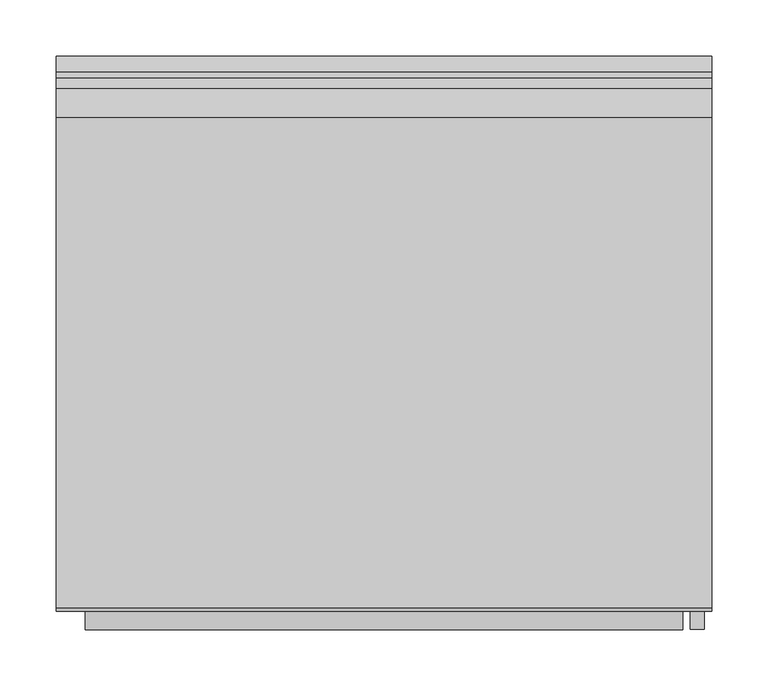
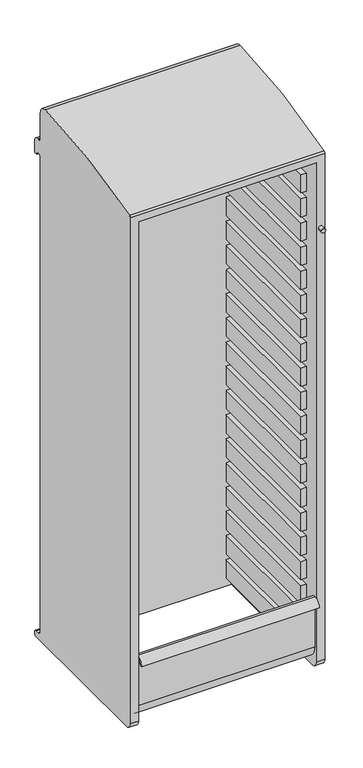
"""IFC4 building model written with IfcOpenShell, lengths in millimetres: furniture geometry."""

from ifc_helpers import new_model, si_unit, point, frame, frame_2d, origin, place, context, project, spatial, polyline, circle_curve, trimmed, segment, composite_curve, outline, extrude, source, transform, mapped, element, save
from ifc_brep_helpers import plane_surface, cylinder_surface, revolved_surface, advanced_brep


def furniture_ac9ddba1(model_context):
    return source(origin(), model_context, "Body", "SolidModel", [
        extrude(outline(polyline([(-249.2375, -195.2625), (-265.1125, -195.2625), (-265.1125, 192.0875), (-249.2375, 192.0875), (-249.2375, -195.2625)])), frame((0.0, 0.0, 552.45), z_axis=(0.0, 0.0, 1.0), x_axis=(1.0, 0.0, 0.0)), (0.0, 0.0, 1.0), 57.15),
        extrude(outline(polyline([(265.1125, -195.2625), (249.2375, -195.2625), (249.2375, 192.0875), (265.1125, 192.0875), (265.1125, -195.2625)])), frame((0.0, 0.0, 552.45), z_axis=(0.0, 0.0, 1.0), x_axis=(1.0, 0.0, 0.0)), (0.0, 0.0, 1.0), 57.15),
        extrude(outline(polyline([(-249.2375, -195.2625), (-265.1125, -195.2625), (-265.1125, 192.0875), (-249.2375, 192.0875), (-249.2375, -195.2625)])), frame((0.0, 0.0, 476.25), z_axis=(0.0, 0.0, 1.0), x_axis=(1.0, 0.0, 0.0)), (0.0, 0.0, 1.0), 57.15),
        extrude(outline(polyline([(265.1125, -195.2625), (249.2375, -195.2625), (249.2375, 192.0875), (265.1125, 192.0875), (265.1125, -195.2625)])), frame((0.0, 0.0, 476.25), z_axis=(0.0, 0.0, 1.0), x_axis=(1.0, 0.0, 0.0)), (0.0, 0.0, 1.0), 57.15),
        extrude(outline(polyline([(-249.2375, -195.2625), (-265.1125, -195.2625), (-265.1125, 192.0875), (-249.2375, 192.0875), (-249.2375, -195.2625)])), frame((0.0, 0.0, 400.05), z_axis=(0.0, 0.0, 1.0), x_axis=(1.0, 0.0, 0.0)), (0.0, 0.0, 1.0), 57.15),
        extrude(outline(polyline([(265.1125, -195.2625), (249.2375, -195.2625), (249.2375, 192.0875), (265.1125, 192.0875), (265.1125, -195.2625)])), frame((0.0, 0.0, 400.05), z_axis=(0.0, 0.0, 1.0), x_axis=(1.0, 0.0, 0.0)), (0.0, 0.0, 1.0), 57.15),
        extrude(outline(polyline([(-249.2375, -195.2625), (-265.1125, -195.2625), (-265.1125, 192.0875), (-249.2375, 192.0875), (-249.2375, -195.2625)])), frame((0.0, 0.0, 323.85), z_axis=(0.0, 0.0, 1.0), x_axis=(1.0, 0.0, 0.0)), (0.0, 0.0, 1.0), 57.15),
        extrude(outline(polyline([(265.1125, -195.2625), (249.2375, -195.2625), (249.2375, 192.0875), (265.1125, 192.0875), (265.1125, -195.2625)])), frame((0.0, 0.0, 323.85), z_axis=(0.0, 0.0, 1.0), x_axis=(1.0, 0.0, 0.0)), (0.0, 0.0, 1.0), 57.15),
        extrude(outline(polyline([(-249.2375, -195.2625), (-265.1125, -195.2625), (-265.1125, 192.0875), (-249.2375, 192.0875), (-249.2375, -195.2625)])), frame((0.0, 0.0, 857.25), z_axis=(0.0, 0.0, 1.0), x_axis=(1.0, 0.0, 0.0)), (0.0, 0.0, 1.0), 57.15),
        extrude(outline(polyline([(265.1125, -195.2625), (249.2375, -195.2625), (249.2375, 192.0875), (265.1125, 192.0875), (265.1125, -195.2625)])), frame((0.0, 0.0, 857.25), z_axis=(0.0, 0.0, 1.0), x_axis=(1.0, 0.0, 0.0)), (0.0, 0.0, 1.0), 57.15),
        extrude(outline(polyline([(-249.2375, -195.2625), (-265.1125, -195.2625), (-265.1125, 192.0875), (-249.2375, 192.0875), (-249.2375, -195.2625)])), frame((0.0, 0.0, 781.05), z_axis=(0.0, 0.0, 1.0), x_axis=(1.0, 0.0, 0.0)), (0.0, 0.0, 1.0), 57.15),
        extrude(outline(polyline([(265.1125, -195.2625), (249.2375, -195.2625), (249.2375, 192.0875), (265.1125, 192.0875), (265.1125, -195.2625)])), frame((0.0, 0.0, 781.05), z_axis=(0.0, 0.0, 1.0), x_axis=(1.0, 0.0, 0.0)), (0.0, 0.0, 1.0), 57.15),
        extrude(outline(polyline([(-249.2375, -195.2625), (-265.1125, -195.2625), (-265.1125, 192.0875), (-249.2375, 192.0875), (-249.2375, -195.2625)])), frame((0.0, 0.0, 704.85), z_axis=(0.0, 0.0, 1.0), x_axis=(1.0, 0.0, 0.0)), (0.0, 0.0, 1.0), 57.15),
        extrude(outline(polyline([(265.1125, -195.2625), (249.2375, -195.2625), (249.2375, 192.0875), (265.1125, 192.0875), (265.1125, -195.2625)])), frame((0.0, 0.0, 704.85), z_axis=(0.0, 0.0, 1.0), x_axis=(1.0, 0.0, 0.0)), (0.0, 0.0, 1.0), 57.15),
        extrude(outline(polyline([(-249.2375, -195.2625), (-265.1125, -195.2625), (-265.1125, 192.0875), (-249.2375, 192.0875), (-249.2375, -195.2625)])), frame((0.0, 0.0, 628.65), z_axis=(0.0, 0.0, 1.0), x_axis=(1.0, 0.0, 0.0)), (0.0, 0.0, 1.0), 57.15),
        extrude(outline(polyline([(265.1125, -195.2625), (249.2375, -195.2625), (249.2375, 192.0875), (265.1125, 192.0875), (265.1125, -195.2625)])), frame((0.0, 0.0, 628.65), z_axis=(0.0, 0.0, 1.0), x_axis=(1.0, 0.0, 0.0)), (0.0, 0.0, 1.0), 57.15),
        extrude(outline(polyline([(-249.2375, -195.2625), (-265.1125, -195.2625), (-265.1125, 192.0875), (-249.2375, 192.0875), (-249.2375, -195.2625)])), frame((0.0, 0.0, 1162.05), z_axis=(0.0, 0.0, 1.0), x_axis=(1.0, 0.0, 0.0)), (0.0, 0.0, 1.0), 57.15),
        extrude(outline(polyline([(265.1125, -195.2625), (249.2375, -195.2625), (249.2375, 192.0875), (265.1125, 192.0875), (265.1125, -195.2625)])), frame((0.0, 0.0, 1162.05), z_axis=(0.0, 0.0, 1.0), x_axis=(1.0, 0.0, 0.0)), (0.0, 0.0, 1.0), 57.15),
        extrude(outline(polyline([(-249.2375, -195.2625), (-265.1125, -195.2625), (-265.1125, 192.0875), (-249.2375, 192.0875), (-249.2375, -195.2625)])), frame((0.0, 0.0, 1085.85), z_axis=(0.0, 0.0, 1.0), x_axis=(1.0, 0.0, 0.0)), (0.0, 0.0, 1.0), 57.15),
        extrude(outline(polyline([(265.1125, -195.2625), (249.2375, -195.2625), (249.2375, 192.0875), (265.1125, 192.0875), (265.1125, -195.2625)])), frame((0.0, 0.0, 1085.85), z_axis=(0.0, 0.0, 1.0), x_axis=(1.0, 0.0, 0.0)), (0.0, 0.0, 1.0), 57.15),
        extrude(outline(polyline([(-249.2375, -195.2625), (-265.1125, -195.2625), (-265.1125, 192.0875), (-249.2375, 192.0875), (-249.2375, -195.2625)])), frame((0.0, 0.0, 1009.65), z_axis=(0.0, 0.0, 1.0), x_axis=(1.0, 0.0, 0.0)), (0.0, 0.0, 1.0), 57.15),
        extrude(outline(polyline([(265.1125, -195.2625), (249.2375, -195.2625), (249.2375, 192.0875), (265.1125, 192.0875), (265.1125, -195.2625)])), frame((0.0, 0.0, 1009.65), z_axis=(0.0, 0.0, 1.0), x_axis=(1.0, 0.0, 0.0)), (0.0, 0.0, 1.0), 57.15),
        extrude(outline(polyline([(-249.2375, -195.2625), (-265.1125, -195.2625), (-265.1125, 192.0875), (-249.2375, 192.0875), (-249.2375, -195.2625)])), frame((0.0, 0.0, 933.45), z_axis=(0.0, 0.0, 1.0), x_axis=(1.0, 0.0, 0.0)), (0.0, 0.0, 1.0), 57.15),
        extrude(outline(polyline([(265.1125, -195.2625), (249.2375, -195.2625), (249.2375, 192.0875), (265.1125, 192.0875), (265.1125, -195.2625)])), frame((0.0, 0.0, 933.45), z_axis=(0.0, 0.0, 1.0), x_axis=(1.0, 0.0, 0.0)), (0.0, 0.0, 1.0), 57.15),
        extrude(outline(polyline([(-249.2375, -195.2625), (-265.1125, -195.2625), (-265.1125, 192.0875), (-249.2375, 192.0875), (-249.2375, -195.2625)])), frame((0.0, 0.0, 1466.85), z_axis=(0.0, 0.0, 1.0), x_axis=(1.0, 0.0, 0.0)), (0.0, 0.0, 1.0), 57.15),
        extrude(outline(polyline([(265.1125, -195.2625), (249.2375, -195.2625), (249.2375, 192.0875), (265.1125, 192.0875), (265.1125, -195.2625)])), frame((0.0, 0.0, 1466.85), z_axis=(0.0, 0.0, 1.0), x_axis=(1.0, 0.0, 0.0)), (0.0, 0.0, 1.0), 57.15),
        extrude(outline(polyline([(-249.2375, -195.2625), (-265.1125, -195.2625), (-265.1125, 192.0875), (-249.2375, 192.0875), (-249.2375, -195.2625)])), frame((0.0, 0.0, 1390.65), z_axis=(0.0, 0.0, 1.0), x_axis=(1.0, 0.0, 0.0)), (0.0, 0.0, 1.0), 57.15),
        extrude(outline(polyline([(265.1125, -195.2625), (249.2375, -195.2625), (249.2375, 192.0875), (265.1125, 192.0875), (265.1125, -195.2625)])), frame((0.0, 0.0, 1390.65), z_axis=(0.0, 0.0, 1.0), x_axis=(1.0, 0.0, 0.0)), (0.0, 0.0, 1.0), 57.15),
        extrude(outline(polyline([(-249.2375, -195.2625), (-265.1125, -195.2625), (-265.1125, 192.0875), (-249.2375, 192.0875), (-249.2375, -195.2625)])), frame((0.0, 0.0, 1314.45), z_axis=(0.0, 0.0, 1.0), x_axis=(1.0, 0.0, 0.0)), (0.0, 0.0, 1.0), 57.15),
        extrude(outline(polyline([(265.1125, -195.2625), (249.2375, -195.2625), (249.2375, 192.0875), (265.1125, 192.0875), (265.1125, -195.2625)])), frame((0.0, 0.0, 1314.45), z_axis=(0.0, 0.0, 1.0), x_axis=(1.0, 0.0, 0.0)), (0.0, 0.0, 1.0), 57.15),
        extrude(outline(polyline([(-249.2375, -195.2625), (-265.1125, -195.2625), (-265.1125, 192.0875), (-249.2375, 192.0875), (-249.2375, -195.2625)])), frame((0.0, 0.0, 1238.25), z_axis=(0.0, 0.0, 1.0), x_axis=(1.0, 0.0, 0.0)), (0.0, 0.0, 1.0), 57.15),
        extrude(outline(polyline([(265.1125, -195.2625), (249.2375, -195.2625), (249.2375, 192.0875), (265.1125, 192.0875), (265.1125, -195.2625)])), frame((0.0, 0.0, 1238.25), z_axis=(0.0, 0.0, 1.0), x_axis=(1.0, 0.0, 0.0)), (0.0, 0.0, 1.0), 57.15),
        extrude(outline(polyline([(-249.2375, -195.2625), (-265.1125, -195.2625), (-265.1125, 192.0875), (-249.2375, 192.0875), (-249.2375, -195.2625)])), frame((0.0, 0.0, 1771.65), z_axis=(0.0, 0.0, 1.0), x_axis=(1.0, 0.0, 0.0)), (0.0, 0.0, 1.0), 57.15),
        extrude(outline(polyline([(265.1125, -195.2625), (249.2375, -195.2625), (249.2375, 192.0875), (265.1125, 192.0875), (265.1125, -195.2625)])), frame((0.0, 0.0, 1771.65), z_axis=(0.0, 0.0, 1.0), x_axis=(1.0, 0.0, 0.0)), (0.0, 0.0, 1.0), 57.15),
        extrude(outline(polyline([(-249.2375, -195.2625), (-265.1125, -195.2625), (-265.1125, 192.0875), (-249.2375, 192.0875), (-249.2375, -195.2625)])), frame((0.0, 0.0, 1695.45), z_axis=(0.0, 0.0, 1.0), x_axis=(1.0, 0.0, 0.0)), (0.0, 0.0, 1.0), 57.15),
        extrude(outline(polyline([(265.1125, -195.2625), (249.2375, -195.2625), (249.2375, 192.0875), (265.1125, 192.0875), (265.1125, -195.2625)])), frame((0.0, 0.0, 1695.45), z_axis=(0.0, 0.0, 1.0), x_axis=(1.0, 0.0, 0.0)), (0.0, 0.0, 1.0), 57.15),
        extrude(outline(polyline([(-249.2375, -195.2625), (-265.1125, -195.2625), (-265.1125, 192.0875), (-249.2375, 192.0875), (-249.2375, -195.2625)])), frame((0.0, 0.0, 1619.25), z_axis=(0.0, 0.0, 1.0), x_axis=(1.0, 0.0, 0.0)), (0.0, 0.0, 1.0), 57.15),
        extrude(outline(polyline([(265.1125, -195.2625), (249.2375, -195.2625), (249.2375, 192.0875), (265.1125, 192.0875), (265.1125, -195.2625)])), frame((0.0, 0.0, 1619.25), z_axis=(0.0, 0.0, 1.0), x_axis=(1.0, 0.0, 0.0)), (0.0, 0.0, 1.0), 57.15),
        extrude(outline(polyline([(-249.2375, -195.2625), (-265.1125, -195.2625), (-265.1125, 192.0875), (-249.2375, 192.0875), (-249.2375, -195.2625)])), frame((0.0, 0.0, 1543.05), z_axis=(0.0, 0.0, 1.0), x_axis=(1.0, 0.0, 0.0)), (0.0, 0.0, 1.0), 57.15),
        extrude(outline(polyline([(265.1125, -195.2625), (249.2375, -195.2625), (249.2375, 192.0875), (265.1125, 192.0875), (265.1125, -195.2625)])), frame((0.0, 0.0, 1543.05), z_axis=(0.0, 0.0, 1.0), x_axis=(1.0, 0.0, 0.0)), (0.0, 0.0, 1.0), 57.15),
        advanced_brep(
        [(290.5125, -246.0625, 317.5), (290.5125, -227.0125, 298.45), (290.5125, 239.7125, 298.45), (290.5125, 246.0625, 304.8), (290.5125, 246.0625, 311.15), (290.5125, 239.7125, 317.5), (290.5125, 228.6, 317.5), (290.5125, 217.4875, 328.6125), (290.5125, 217.4875, 1820.4282764), (290.5125, 236.7359375, 1820.4282764), (290.5125, 246.0625, 1820.4282764), (290.5125, 246.0625, 1858.8967496), (290.5125, 232.4695312, 1872.4897183), (290.5125, 227.1117187, 1872.4897183), (290.5125, 217.4875, 1882.1139371), (290.5125, 217.4875, 1962.15), (290.5125, 192.0875, 1987.55), (290.5125, -242.8127937, 1918.698234), (290.5125, -246.0625, 1913.4436651), (-290.5125, -246.0625, 317.5), (-290.5125, -246.0625, 1913.4436651), (-290.5125, -242.8127937, 1918.698234), (-290.5125, 192.0875, 1987.55), (-290.5125, 217.4875, 1962.15), (-290.5125, 217.4875, 1882.1139371), (-290.5125, 227.1117187, 1872.4897183), (-290.5125, 232.4695312, 1872.4897183), (-290.5125, 246.0625, 1858.8967496), (-290.5125, 246.0625, 1820.4282764), (-290.5125, 236.7359375, 1820.4282764), (-290.5125, 217.4875, 1820.4282764), (-290.5125, 217.4875, 328.6125), (-290.5125, 228.6, 317.5), (-290.5125, 239.7125, 317.5), (-290.5125, 246.0625, 311.15), (-290.5125, 246.0625, 304.8), (-290.5125, 239.7125, 298.45), (-290.5125, -227.0125, 298.45), (265.1125, -246.0625, 317.5), (265.1125, -227.0125, 298.45), (-265.1125, -227.0125, 298.45), (-265.1125, -246.0625, 317.5), (265.1125, 192.0875, 298.45), (-265.1125, 192.0875, 298.45), (-265.1125, -246.0625, 1892.3), (265.1125, -246.0625, 1892.3), (265.1125, 192.0875, 1956.3783426), (-265.1125, 192.0875, 1956.3783426)],
        [
            (0, 1, circle_curve(frame((290.5125, -227.0125, 317.5), z_axis=(1.0, 0.0, 0.0), x_axis=(0.0, 1.0, 0.0)), 19.05)),
            (1, 2),
            (2, 3, circle_curve(frame((290.5125, 239.7125, 304.8), z_axis=(1.0, 0.0, 0.0), x_axis=(0.0, 1.0, 0.0)), 6.35)),
            (3, 4),
            (4, 5, circle_curve(frame((290.5125, 239.7125, 311.15), z_axis=(1.0, 0.0, 0.0), x_axis=(0.0, 1.0, 0.0)), 6.35)),
            (5, 6),
            (6, 7, circle_curve(frame((290.5125, 228.6, 328.6125), z_axis=(-1.0, 0.0, 0.0), x_axis=(0.0, 1.0, 0.0)), 11.1125)),
            (7, 8),
            (8, 9, circle_curve(frame((290.5125, 227.1117187, 1820.4282764), z_axis=(-1.0, 0.0, 0.0), x_axis=(0.0, 1.0, 0.0)), 9.6242188)),
            (9, 10),
            (10, 11),
            (11, 12, circle_curve(frame((290.5125, 232.4695312, 1858.8967496), z_axis=(1.0, 0.0, 0.0), x_axis=(0.0, 1.0, 0.0)), 13.5929687)),
            (12, 13),
            (13, 14, circle_curve(frame((290.5125, 227.1117187, 1882.1139371), z_axis=(-1.0, 0.0, 0.0), x_axis=(0.0, 1.0, 0.0)), 9.6242187)),
            (14, 15),
            (15, 16, circle_curve(frame((290.5125, 192.0875, 1962.15), z_axis=(1.0, 0.0, 0.0), x_axis=(0.0, 1.0, 0.0)), 25.4)),
            (16, 17, circle_curve(frame((290.5125, 219.0245932, 409.4588105), z_axis=(1.0, 0.0, 0.0), x_axis=(0.0, 1.0, 0.0)), 1578.321073)),
            (17, 18, circle_curve(frame((290.5125, -240.1894945, 1913.4436651), z_axis=(1.0, 0.0, 0.0), x_axis=(0.0, 1.0, 0.0)), 5.8730055)),
            (18, 0),
            (19, 20),
            (20, 21, circle_curve(frame((-290.5125, -240.1894945, 1913.4436651), z_axis=(-1.0, 0.0, 0.0), x_axis=(0.0, 1.0, 0.0)), 5.8730055)),
            (21, 22, circle_curve(frame((-290.5125, 219.0245932, 409.4588105), z_axis=(-1.0, 0.0, 0.0), x_axis=(0.0, 1.0, 0.0)), 1578.321073)),
            (22, 23, circle_curve(frame((-290.5125, 192.0875, 1962.15), z_axis=(-1.0, 0.0, 0.0), x_axis=(0.0, 1.0, 0.0)), 25.4)),
            (23, 24),
            (24, 25, circle_curve(frame((-290.5125, 227.1117187, 1882.1139371), z_axis=(1.0, 0.0, 0.0), x_axis=(0.0, 1.0, 0.0)), 9.6242188)),
            (25, 26),
            (26, 27, circle_curve(frame((-290.5125, 232.4695312, 1858.8967496), z_axis=(-1.0, 0.0, 0.0), x_axis=(0.0, 1.0, 0.0)), 13.5929688)),
            (27, 28),
            (28, 29),
            (29, 30, circle_curve(frame((-290.5125, 227.1117187, 1820.4282764), z_axis=(1.0, 0.0, 0.0), x_axis=(0.0, 1.0, 0.0)), 9.6242188)),
            (30, 31),
            (31, 32, circle_curve(frame((-290.5125, 228.6, 328.6125), z_axis=(1.0, 0.0, 0.0), x_axis=(0.0, 1.0, 0.0)), 11.1125)),
            (32, 33),
            (33, 34, circle_curve(frame((-290.5125, 239.7125, 311.15), z_axis=(-1.0, 0.0, 0.0), x_axis=(0.0, 1.0, 0.0)), 6.35)),
            (34, 35),
            (35, 36, circle_curve(frame((-290.5125, 239.7125, 304.8), z_axis=(-1.0, 0.0, 0.0), x_axis=(0.0, 1.0, 0.0)), 6.35)),
            (36, 37),
            (37, 19, circle_curve(frame((-290.5125, -227.0125, 317.5), z_axis=(-1.0, 0.0, 0.0), x_axis=(0.0, 1.0, 0.0)), 19.05)),
            (0, 38),
            (38, 39, circle_curve(frame((265.1125, -227.0125, 317.5), z_axis=(1.0, 0.0, 0.0), x_axis=(0.0, 1.0, 0.0)), 19.05)),
            (39, 1),
            (37, 40),
            (40, 41, circle_curve(frame((-265.1125, -227.0125, 317.5), z_axis=(-1.0, 0.0, 0.0), x_axis=(0.0, 1.0, 0.0)), 19.05)),
            (41, 19),
            (39, 42),
            (42, 43),
            (43, 40),
            (36, 2),
            (35, 3),
            (34, 4),
            (33, 5),
            (32, 6),
            (31, 7),
            (30, 8),
            (29, 9),
            (28, 10),
            (27, 11),
            (26, 12),
            (25, 13),
            (24, 14),
            (23, 15),
            (22, 16),
            (21, 17),
            (20, 18),
            (41, 44),
            (44, 45),
            (45, 38),
            (45, 46),
            (46, 42),
            (43, 47),
            (47, 44),
            (46, 47),
        ],
        [
            plane_surface(frame((290.5125, -207.9625, 317.5), z_axis=(1.0, 0.0, 0.0), x_axis=(0.0, 0.0, 1.0))),
            plane_surface(frame((-290.5125, -207.9625, 317.5), z_axis=(-1.0, 0.0, 0.0), x_axis=(0.0, 0.0, -1.0))),
            cylinder_surface(frame((-290.5125, -227.0125, 317.5), z_axis=(1.0, 0.0, 0.0), x_axis=(0.0, 1.0, 0.0)), 19.05),
            plane_surface(frame((290.5125, -227.0125, 298.45), z_axis=(0.0, 0.0, -1.0), x_axis=(-1.0, 0.0, 0.0))),
            cylinder_surface(frame((-290.5125, 239.7125, 304.8), z_axis=(1.0, 0.0, 0.0), x_axis=(0.0, 1.0, 0.0)), 6.35),
            plane_surface(frame((290.5125, 246.0625, 304.8), z_axis=(0.0, 1.0, 0.0), x_axis=(-1.0, 0.0, 0.0))),
            cylinder_surface(frame((-290.5125, 239.7125, 311.15), z_axis=(1.0, 0.0, 0.0), x_axis=(0.0, 1.0, 0.0)), 6.35),
            plane_surface(frame((290.5125, 239.7125, 317.5), z_axis=(0.0, 0.0, 1.0), x_axis=(-1.0, 0.0, 0.0))),
            revolved_surface(polyline([(-290.5125, 239.7125, 328.6125), (290.5125, 239.7125, 328.6125)]), (-290.5125, 228.6, 328.6125), (-1.0, 0.0, 0.0)),
            plane_surface(frame((290.5125, 217.4875, 328.6125), z_axis=(0.0, 1.0, 0.0), x_axis=(-1.0, 0.0, 0.0))),
            revolved_surface(polyline([(-290.5125, 236.7359375, 1820.4282764), (290.5125, 236.7359375, 1820.4282764)]), (-290.5125, 227.1117187, 1820.4282764), (-1.0, 0.0, 0.0)),
            plane_surface(frame((290.5125, 236.7359375, 1820.4282764), z_axis=(0.0, 0.0, -1.0), x_axis=(-1.0, 0.0, 0.0))),
            plane_surface(frame((290.5125, 246.0625, 1820.4282764), z_axis=(0.0, 1.0, 0.0), x_axis=(-1.0, 0.0, 0.0))),
            cylinder_surface(frame((-290.5125, 232.4695312, 1858.8967496), z_axis=(1.0, 0.0, 0.0), x_axis=(0.0, 1.0, 0.0)), 13.5929687),
            plane_surface(frame((290.5125, 232.4695312, 1872.4897183), z_axis=(0.0, 0.0, 1.0), x_axis=(-1.0, 0.0, 0.0))),
            revolved_surface(polyline([(-290.5125, 236.7359375, 1882.1139371), (290.5125, 236.7359375, 1882.1139371)]), (-290.5125, 227.1117187, 1882.1139371), (-1.0, 0.0, 0.0)),
            plane_surface(frame((290.5125, 217.4875, 1882.1139371), z_axis=(0.0, 1.0, 0.0), x_axis=(-1.0, 0.0, 0.0))),
            cylinder_surface(frame((-290.5125, 192.0875, 1962.15), z_axis=(1.0, 0.0, 0.0), x_axis=(0.0, 1.0, 0.0)), 25.4),
            cylinder_surface(frame((-290.5125, 219.0245932, 409.4588105), z_axis=(1.0, 0.0, 0.0), x_axis=(0.0, 1.0, 0.0)), 1578.321073),
            cylinder_surface(frame((-290.5125, -240.1894945, 1913.4436651), z_axis=(1.0, 0.0, 0.0), x_axis=(0.0, 1.0, 0.0)), 5.8730055),
            plane_surface(frame((290.5125, -246.0625, 1913.4436651), z_axis=(0.0, -1.0, -1.1655566115944127e-12), x_axis=(-1.0, 0.0, 0.0))),
            plane_surface(frame((265.1125, 192.0875, 298.45), z_axis=(-1.0, 0.0, 0.0), x_axis=(0.0, 0.0, 1.0))),
            plane_surface(frame((-265.1125, 192.0875, 298.45), z_axis=(1.0, 0.0, 0.0), x_axis=(0.0, 0.0, -1.0))),
            plane_surface(frame((265.1125, 192.0875, 298.45), z_axis=(0.0, -1.0, 0.0), x_axis=(-1.0, 0.0, 0.0))),
            plane_surface(frame((265.1125, 192.0875, 1956.3783426), z_axis=(0.0, 0.14470815549055335, -0.9894743805346967), x_axis=(-1.0, 0.0, 0.0))),
        ],
        [
            (0, [[1, 2, 3, 4, 5, 6, 7, 8, 9, 10, 11, 12, 13, 14, 15, 16, 17, 18, 19]]),
            (1, [[20, 21, 22, 23, 24, 25, 26, 27, 28, 29, 30, 31, 32, 33, 34, 35, 36, 37, 38]]),
            (2, [[-1, 39, 40, 41]]),
            (2, [[-38, 42, 43, 44]]),
            (3, [[-2, -41, 45, 46, 47, -42, -37, 48]]),
            (4, [[-3, -48, -36, 49]]),
            (5, [[-4, -49, -35, 50]]),
            (6, [[-5, -50, -34, 51]]),
            (7, [[-6, -51, -33, 52]]),
            (8, [[-7, -52, -32, 53]]),
            (9, [[-8, -53, -31, 54]]),
            (10, [[-9, -54, -30, 55]]),
            (11, [[-10, -55, -29, 56]]),
            (12, [[-11, -56, -28, 57]]),
            (13, [[-12, -57, -27, 58]]),
            (14, [[-13, -58, -26, 59]]),
            (15, [[-14, -59, -25, 60]]),
            (16, [[-15, -60, -24, 61]]),
            (17, [[-16, -61, -23, 62]]),
            (18, [[-17, -62, -22, 63]]),
            (19, [[-18, -63, -21, 64]]),
            (20, [[-19, -64, -20, -44, 65, 66, 67, -39]]),
            (21, [[68, 69, -45, -40, -67]]),
            (22, [[70, 71, -65, -43, -47]]),
            (23, [[-69, 72, -70, -46]]),
            (24, [[-68, -66, -71, -72]]),
        ],
    ),
        extrude(outline(composite_curve([segment(trimmed(circle_curve(frame_2d((-195.2625, 361.95)), 38.1), [point((-233.3625, 361.95))], [point((-195.2625, 323.85))], True, "CARTESIAN"), True, "CONTINUOUS"), segment(polyline([(-195.2625, 323.85), (0.0, 323.85), (0.0, 317.5), (-195.2625, 317.5)]), True, "CONTINUOUS"), segment(trimmed(circle_curve(frame_2d((-195.2625, 361.95)), 44.45), [point((-195.2625, 317.5))], [point((-239.7125, 361.95))], False, "CARTESIAN"), True, "CONTINUOUS"), segment(polyline([(-239.7125, 361.95), (-239.7125, 514.35)]), True, "CONTINUOUS"), segment(trimmed(circle_curve(frame_2d((-239.7125, 498.475)), 15.875), [point((-239.7125, 514.35))], [point((-255.5875, 498.475))], True, "CARTESIAN"), True, "CONTINUOUS"), segment(polyline([(-255.5875, 498.475), (-261.9375, 498.475)]), True, "CONTINUOUS"), segment(trimmed(circle_curve(frame_2d((-239.7125, 498.475)), 22.225), [point((-261.9375, 498.475))], [point((-239.7125, 520.7))], False, "CARTESIAN"), True, "CONTINUOUS"), segment(polyline([(-239.7125, 520.7), (-233.3625, 520.7), (-233.3625, 361.95)]), True, "CONTINUOUS")], self_intersect=False)), frame((-265.1125, 0.0, 0.0), z_axis=(1.0, 0.0, 0.0), x_axis=(0.0, 1.0, 0.0)), (0.0, 0.0, 1.0), 530.225),
        extrude(outline(composite_curve([segment(trimmed(circle_curve(frame_2d((1682.75, 277.8125)), 6.35), [point((1682.75, 271.4625))], [point((1682.75, 284.1625))], False, "CARTESIAN"), True, "CONTINUOUS"), segment(trimmed(circle_curve(frame_2d((1682.75, 277.8125)), 6.35), [point((1682.75, 284.1625))], [point((1682.75, 271.4625))], False, "CARTESIAN"), True, "CONTINUOUS")], self_intersect=False)), frame((0.0, -261.9375, 0.0), z_axis=(0.0, 1.0, 0.0), x_axis=(0.0, 0.0, 1.0)), (0.0, 0.0, 1.0), 15.875),
    ])


if __name__ == "__main__":
    model = new_model("IFC4")
    model_context = context("Model", 3, world=origin())
    ifc_project = project(units=[si_unit("LENGTHUNIT", "METRE", prefix="MILLI")], contexts=[model_context])
    site = spatial("IfcSite", under=ifc_project)
    building = spatial("IfcBuilding", under=site)
    placement = place(None, origin())
    furniture_shape = furniture_ac9ddba1(model_context)
    element("IfcFurniture", 1, at=placement, inside=building, context=model_context, shape_type="MappedRepresentation", body=[
        mapped(furniture_shape, transform((0.0, 0.0, 0.0), x_axis=(1.0, 0.0, 0.0), y_axis=(0.0, 1.0, 0.0), z_axis=(0.0, 0.0, 1.0))),
    ])
    save(model, "model.ifc")
